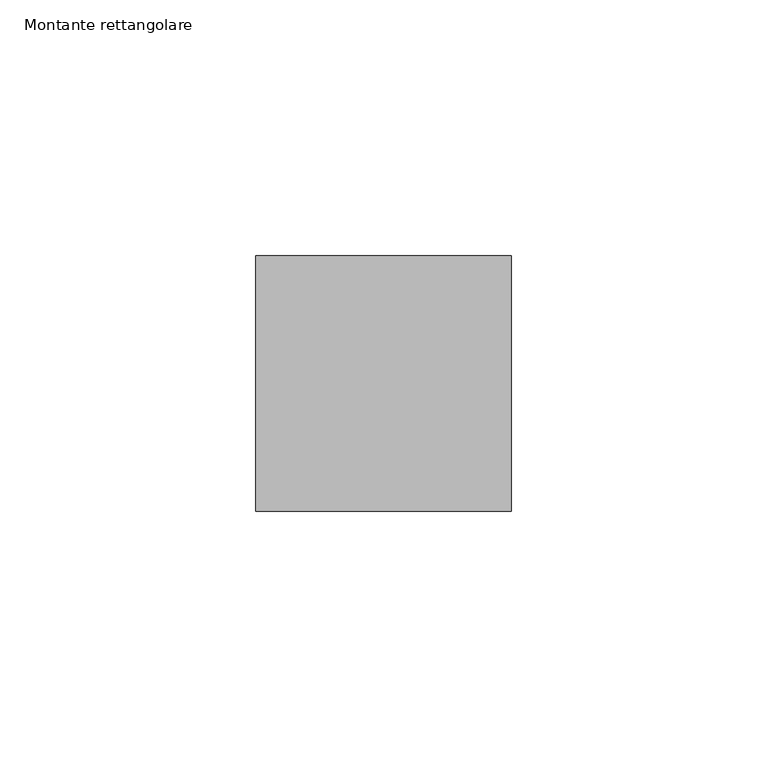
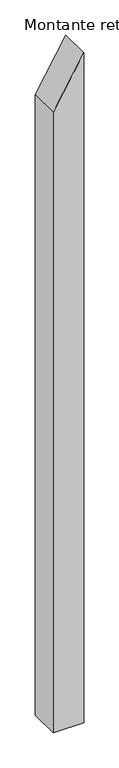
"""IFC4 building model written with IfcOpenShell, lengths in millimetres: member geometry, Montante rettangolare."""

from ifc_helpers import new_model, si_unit, frame, origin, place, context, project, spatial, polyline, outline, extrude, source, transform, mapped, element, save


def montante_rettangolare_c90c7f85(model_context):
    return source(origin(), model_context, "Body", "SweptSolid", [
        extrude(outline(polyline([(100.0, 0.0), (15.116844, -50.0), (-1056.4433136, -50.0), (-1056.4433136, 0.0), (100.0, 0.0)])), frame((0.0, -25.0, 0.0), z_axis=(0.0, 1.0, 0.0), x_axis=(0.0, 0.0, 1.0)), (0.0, 0.0, 1.0), 50.0),
    ])


if __name__ == "__main__":
    model = new_model("IFC4")
    model_context = context("Model", 3, world=origin())
    ifc_project = project(units=[si_unit("LENGTHUNIT", "METRE", prefix="MILLI")], contexts=[model_context])
    site = spatial("IfcSite", under=ifc_project)
    building = spatial("IfcBuilding", under=site)
    placement = place(None, origin())
    montante_rettangolare_shape = montante_rettangolare_c90c7f85(model_context)
    element("IfcMember", 1, ObjectType="Montante rettangolare", at=placement, inside=building, context=model_context, shape_type="MappedRepresentation", body=[
        mapped(montante_rettangolare_shape, transform((0.0, 0.0, 0.0), x_axis=(1.0, 0.0, 0.0), y_axis=(0.0, 1.0, 0.0), z_axis=(0.0, 0.0, 1.0))),
    ])
    save(model, "model.ifc")
